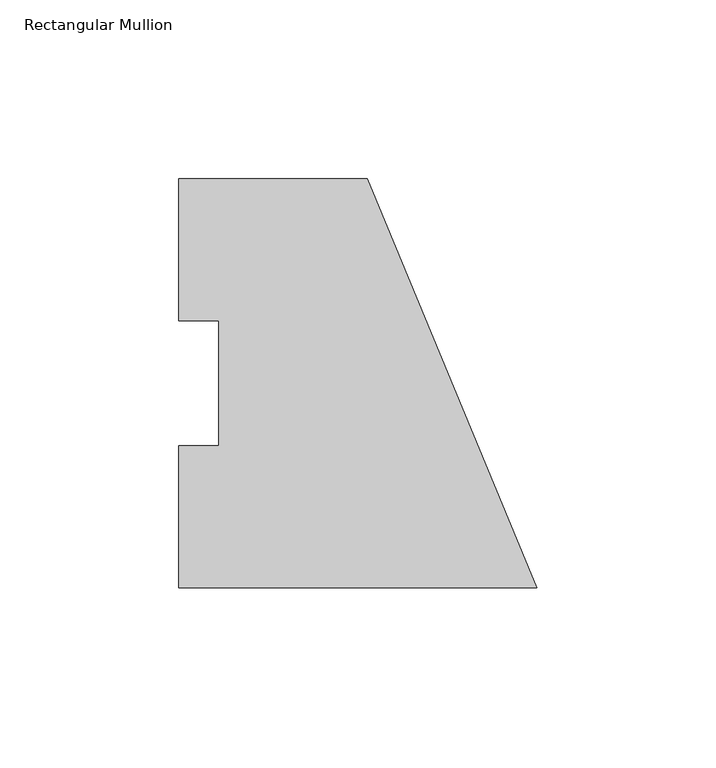
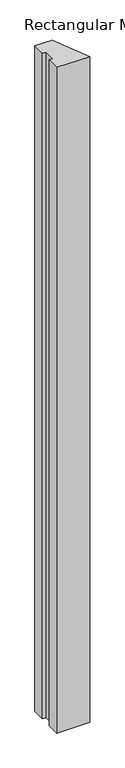
"""IFC4 building model written with IfcOpenShell, lengths in millimetres: member geometry, Rectangular Mullion."""

from ifc_helpers import new_model, si_unit, frame, origin, place, context, project, spatial, polyline, outline, extrude, source, transform, mapped, element, save


def rectangular_mullion_88f59f85(model_context):
    return source(origin(), model_context, "Body", "SweptSolid", [
        extrude(outline(polyline([(0.0, -0.028575), (-100.0125, -0.028575), (-100.0125, 39.646225), (-88.9, 39.646225), (-88.9, 74.596625), (-100.0125, 74.596625), (-100.0125, 114.271425), (-47.3446102, 114.271425), (0.0, -0.028575)])), frame((0.0, 0.0, -2133.6), z_axis=(0.0, 0.0, 1.0), x_axis=(1.0, 0.0, 0.0)), (0.0, 0.0, 1.0), 2133.6),
    ])


if __name__ == "__main__":
    model = new_model("IFC4")
    model_context = context("Model", 3, world=origin())
    ifc_project = project(units=[si_unit("LENGTHUNIT", "METRE", prefix="MILLI")], contexts=[model_context])
    site = spatial("IfcSite", under=ifc_project)
    building = spatial("IfcBuilding", under=site)
    placement = place(None, origin())
    rectangular_mullion_shape = rectangular_mullion_88f59f85(model_context)
    element("IfcMember", 1, ObjectType="Rectangular Mullion", at=placement, inside=building, context=model_context, shape_type="MappedRepresentation", body=[
        mapped(rectangular_mullion_shape, transform((0.0, 0.0, 0.0), x_axis=(1.0, 0.0, 0.0), y_axis=(0.0, 1.0, 0.0), z_axis=(0.0, 0.0, 1.0))),
    ])
    save(model, "model.ifc")
